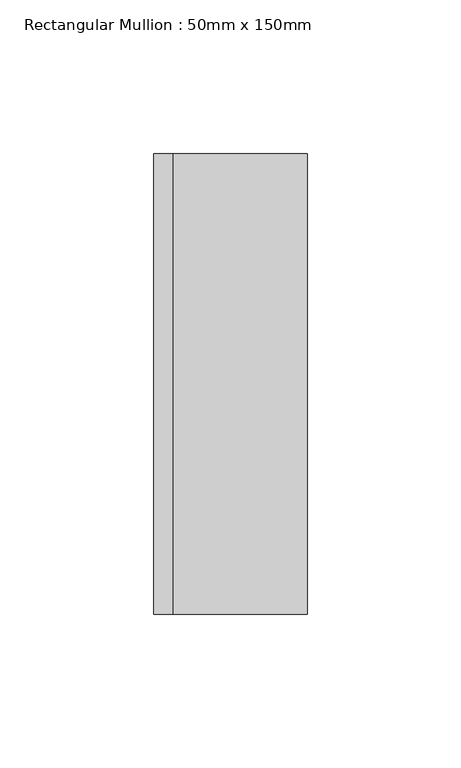
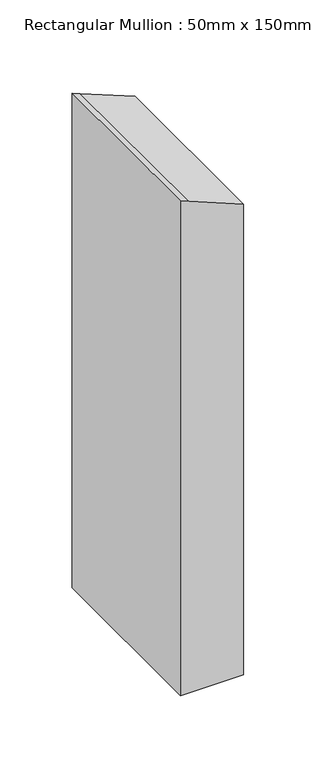
"""IFC4 building model written with IfcOpenShell, lengths in millimetres: member geometry, Rectangular Mullion : 50mm x 150mm."""

import ifcopenshell
import ifcopenshell.guid

model = None  # the IFC model being written
_history = None  # IfcOwnerHistory: only IFC2X3 demands one
_inside = {}  # id of a spatial element -> (the spatial element, [elements in it])
_under = {}  # id of a project, library or spatial element -> (it, [spatial elements below it])
_declared = {}  # id of a project -> (the project, [libraries it declares])
_typed = {}  # id of a type object -> (the type object, [elements of that type])
_made_of = {}  # id of a material, layer set ... -> (it, [elements and type objects made of it])


def new_model(schema):
    """Start an empty IFC model of exactly this schema.

    Asked for "IFC4X3", IfcOpenShell would pick the latest addendum, in which some entities
    have other attributes; the version numbers below select the first issue.
    IFC2X3 requires an IfcOwnerHistory on every rooted entity: one is made here for all.
    """
    global model, _history
    if schema == "IFC4X3":
        model = ifcopenshell.file(schema_version=(4, 3, 0, 0))
    else:
        model = ifcopenshell.file(schema=schema)
    _inside.clear()
    _under.clear()
    _declared.clear()
    _typed.clear()
    _made_of.clear()
    _history = None
    if model.schema == "IFC2X3":
        org = make("IfcOrganization", Name="unknown")
        user = make(
            "IfcPersonAndOrganization",
            ThePerson=make("IfcPerson", FamilyName="unknown"),
            TheOrganization=org,
        )
        app = make(
            "IfcApplication",
            ApplicationDeveloper=org,
            Version="unknown",
            ApplicationFullName="unknown",
            ApplicationIdentifier="unknown",
        )
        _history = make(
            "IfcOwnerHistory",
            OwningUser=user,
            OwningApplication=app,
            ChangeAction="ADDED",
            CreationDate=0,
        )
    return model


def make(cls, **values):
    """One entity of the class cls with the attributes given. An attribute that is None is left unset."""
    return model.create_entity(
        cls, **{name: value for name, value in values.items() if value is not None}
    )


def rooted(cls, **values):
    """An entity with a GlobalId (a new one), such as an element, a storey or a relation."""
    return make(cls, GlobalId=ifcopenshell.guid.new(), OwnerHistory=_history, **values)


def si_unit(unit_type, name, prefix=None):
    """IfcSIUnit, for example si_unit("LENGTHUNIT", "METRE", prefix="MILLI")."""
    return make("IfcSIUnit", UnitType=unit_type, Prefix=prefix, Name=name)


def assignment(units):
    """IfcUnitAssignment: the units of a project."""
    return None if units is None else make("IfcUnitAssignment", Units=units)


def point(xyz):
    """IfcCartesianPoint."""
    return None if xyz is None else make("IfcCartesianPoint", Coordinates=xyz)


def direction(xyz):
    """IfcDirection."""
    return None if xyz is None else make("IfcDirection", DirectionRatios=xyz)


def frame(location, z_axis=None, x_axis=None):
    """IfcAxis2Placement3D, a coordinate frame: its origin and axes. An axis left out is left unset."""
    return make(
        "IfcAxis2Placement3D",
        Location=point(location),
        Axis=direction(z_axis),
        RefDirection=direction(x_axis),
    )


def frame_2d(location, x_axis=None):
    """IfcAxis2Placement2D, a coordinate frame in the plane: its origin and x axis."""
    return make(
        "IfcAxis2Placement2D", Location=point(location), RefDirection=direction(x_axis)
    )


def origin():
    """The frame at (0, 0, 0) with its axes left unset."""
    return frame((0.0, 0.0, 0.0))


def place(relative_to, where):
    """IfcLocalPlacement: puts the frame where relative to a parent placement (None: the world)."""
    return make(
        "IfcLocalPlacement", PlacementRelTo=relative_to, RelativePlacement=where
    )


def context(
    kind, dimensions, precision=None, world=None, true_north=None, identifier=None
):
    """IfcGeometricRepresentationContext, for example the 3D "Model" context."""
    return make(
        "IfcGeometricRepresentationContext",
        ContextIdentifier=identifier,
        ContextType=kind,
        CoordinateSpaceDimension=dimensions,
        Precision=precision,
        WorldCoordinateSystem=world,
        TrueNorth=true_north,
    )


def project(units=None, contexts=None):
    """IfcProject with its units and contexts."""
    return rooted(
        "IfcProject",
        Name="project",
        RepresentationContexts=contexts,
        UnitsInContext=assignment(units),
    )


def spatial(cls, under=None, at=None, **own):
    """A site, building, storey or space (cls), placed at a placement, below another one or the project."""
    s = rooted(cls, ObjectPlacement=at, **own)
    if under is not None:
        _under.setdefault(under.id(), (under, []))[1].append(s)
    return s


def polyline(points):
    """IfcPolyline through the points."""
    return make("IfcPolyline", Points=[point(p) for p in points])


def circle_curve(where, radius):
    """IfcCircle in the frame where."""
    return make("IfcCircle", Position=where, Radius=radius)


def trimmed(basis, trim1, trim2, sense, master):
    """IfcTrimmedCurve: the piece of a basis curve between two trims."""
    return make(
        "IfcTrimmedCurve",
        BasisCurve=basis,
        Trim1=trim1,
        Trim2=trim2,
        SenseAgreement=sense,
        MasterRepresentation=master,
    )


def segment(curve, same_sense, transition):
    """IfcCompositeCurveSegment."""
    return make(
        "IfcCompositeCurveSegment",
        Transition=transition,
        SameSense=same_sense,
        ParentCurve=curve,
    )


def composite_curve(segments, self_intersect=None):
    """IfcCompositeCurve: segments joined end to end."""
    return make("IfcCompositeCurve", Segments=segments, SelfIntersect=self_intersect)


def outline(outer, holes=None, kind="AREA"):
    """IfcArbitraryClosedProfileDef: a profile drawn as a closed curve; with holes, ...WithVoids."""
    if holes is None:
        return make("IfcArbitraryClosedProfileDef", ProfileType=kind, OuterCurve=outer)
    return make(
        "IfcArbitraryProfileDefWithVoids",
        ProfileType=kind,
        OuterCurve=outer,
        InnerCurves=holes,
    )


def extrude(swept, where, along, depth):
    """IfcExtrudedAreaSolid: the profile swept, set in the frame where, extruded along a direction by depth."""
    return make(
        "IfcExtrudedAreaSolid",
        SweptArea=swept,
        Position=where,
        ExtrudedDirection=direction(along),
        Depth=depth,
    )


def shape(context_of_items, identifier, shape_type, items):
    """IfcShapeRepresentation: the items that make up one representation, for example the "Body"."""
    return make(
        "IfcShapeRepresentation",
        ContextOfItems=context_of_items,
        RepresentationIdentifier=identifier,
        RepresentationType=shape_type,
        Items=items,
    )


def source(mapping_origin, context_of_items, identifier, shape_type, items):
    """IfcRepresentationMap: a shape defined once, which mapped items show again and again."""
    return make(
        "IfcRepresentationMap",
        MappingOrigin=mapping_origin,
        MappedRepresentation=shape(context_of_items, identifier, shape_type, items),
    )


def transform(
    local_origin,
    x_axis=None,
    y_axis=None,
    z_axis=None,
    scale=None,
    scale2=None,
    scale3=None,
    uniform=True,
):
    """IfcCartesianTransformationOperator3D, or its non-uniform kind. x_axis, y_axis, z_axis: its Axis1, 2, 3."""
    if uniform:
        return make(
            "IfcCartesianTransformationOperator3D",
            Axis1=direction(x_axis),
            Axis2=direction(y_axis),
            LocalOrigin=point(local_origin),
            Scale=scale,
            Axis3=direction(z_axis),
        )
    return make(
        "IfcCartesianTransformationOperator3DnonUniform",
        Axis1=direction(x_axis),
        Axis2=direction(y_axis),
        LocalOrigin=point(local_origin),
        Scale=scale,
        Axis3=direction(z_axis),
        Scale2=scale2,
        Scale3=scale3,
    )


def mapped(mapping_source, mapping_target):
    """IfcMappedItem: shows the shape of a source again, moved by a transform."""
    return make(
        "IfcMappedItem", MappingSource=mapping_source, MappingTarget=mapping_target
    )


def made_of(thing, what):
    """Note that an element or type object is made of a material, layer set ...; save() writes the relation."""
    if what is not None:
        _made_of.setdefault(what.id(), (what, []))[1].append(thing)
    return thing


def element(
    cls,
    number,
    at=None,
    inside=None,
    cuts=None,
    type_object=None,
    material=None,
    context=None,
    identifier="Body",
    shape_type=None,
    held_by="IfcProductDefinitionShape",
    body=None,
    shapes=None,
    **own,
):
    """One element of the class cls, such as IfcWall. Its Tag is "e" and its number.

    at: its placement. inside: the storey or other place that contains it. cuts: it is an
    opening in that element (IfcRelVoidsElement). A single representation is given by context,
    identifier, shape_type and body (its items); several are given by shapes. held_by: the class
    of the entity that holds the representations. save() writes the other relations.
    """
    e = rooted(cls, Tag="e%d" % number, ObjectPlacement=at, **own)
    if body is not None:
        shapes = [shape(context, identifier, shape_type, body)]
    if shapes is not None:
        e.Representation = make(held_by, Representations=shapes)
    if inside is not None:
        _inside.setdefault(inside.id(), (inside, []))[1].append(e)
    if cuts is not None:
        rooted(
            "IfcRelVoidsElement", RelatingBuildingElement=cuts, RelatedOpeningElement=e
        )
    if type_object is not None:
        _typed.setdefault(type_object.id(), (type_object, []))[1].append(e)
    return made_of(e, material)


def aggregate(whole, parts):
    """IfcRelAggregates: a whole, such as a stair, and the parts it consists of."""
    return rooted("IfcRelAggregates", RelatingObject=whole, RelatedObjects=parts)


def save(model, path):
    """Write the relations noted so far, then the file.

    IfcRelAggregates (storeys below a building ...), IfcRelContainedInSpatialStructure (elements
    in a storey), IfcRelDefinesByType, IfcRelAssociatesMaterial and IfcRelDeclares: one each for
    every whole, place, type object, material and project.
    """
    for whole, parts in _under.values():
        aggregate(whole, parts)
    for where, things in _inside.values():
        rooted(
            "IfcRelContainedInSpatialStructure",
            RelatedElements=things,
            RelatingStructure=where,
        )
    for kind, things in _typed.values():
        rooted("IfcRelDefinesByType", RelatedObjects=things, RelatingType=kind)
    for what, things in _made_of.values():
        rooted("IfcRelAssociatesMaterial", RelatedObjects=things, RelatingMaterial=what)
    for by, libraries in _declared.values():
        rooted("IfcRelDeclares", RelatingContext=by, RelatedDefinitions=libraries)
    model.write(path)


def rectangular_mullion_50mm_x_150mm_db92411f(model_context):
    return source(origin(), model_context, "Body", "SweptSolid", [
        extrude(outline(composite_curve([segment(trimmed(circle_curve(frame_2d((-5894.2155654, -2351.8533559)), 6296.1004829), [point((-63.9969232, 25.0))], [point((-46.4396749, -18.529884))], False, "CARTESIAN"), True, "CONTINUOUS"), segment(trimmed(circle_curve(frame_2d((-5894.2155654, -2351.8533559)), 6296.1004829), [point((-46.4396749, -18.529884))], [point((-43.8621786, -25.0))], False, "CARTESIAN"), True, "CONTINUOUS"), segment(polyline([(-43.8621786, -25.0), (-460.984172, -25.0), (-460.984172, 25.0), (-63.9969232, 25.0)]), True, "CONTINUOUS")], self_intersect=False)), frame((0.0, -75.0, 0.0), z_axis=(0.0, 1.0, 0.0), x_axis=(0.0, 0.0, 1.0)), (0.0, 0.0, 1.0), 150.0),
    ])


if __name__ == "__main__":
    model = new_model("IFC4")
    model_context = context("Model", 3, world=origin())
    ifc_project = project(units=[si_unit("LENGTHUNIT", "METRE", prefix="MILLI")], contexts=[model_context])
    site = spatial("IfcSite", under=ifc_project)
    building = spatial("IfcBuilding", under=site)
    placement = place(None, origin())
    rectangular_mullion_50mm_x_150mm_shape = rectangular_mullion_50mm_x_150mm_db92411f(model_context)
    element("IfcMember", 1, ObjectType="Rectangular Mullion : 50mm x 150mm", at=placement, inside=building, context=model_context, shape_type="MappedRepresentation", body=[
        mapped(rectangular_mullion_50mm_x_150mm_shape, transform((0.0, 0.0, 0.0), x_axis=(1.0, 0.0, 0.0), y_axis=(0.0, 1.0, 0.0), z_axis=(0.0, 0.0, 1.0))),
    ])
    save(model, "model.ifc")
